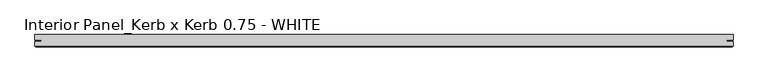
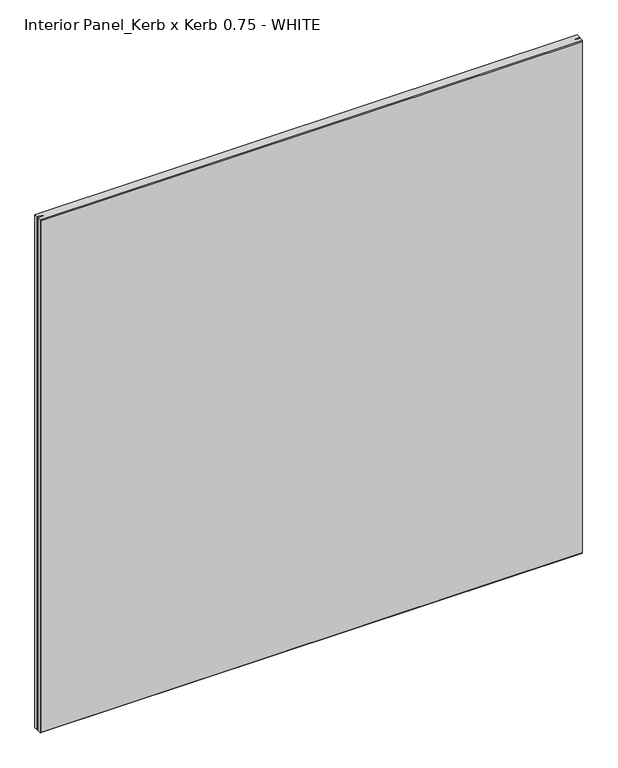
"""IFC4 building model written with IfcOpenShell, lengths in millimetres: proxy geometry, Interior Panel_Kerb x Kerb 0.75 - WHITE."""

from ifc_helpers import new_model, si_unit, origin, place, context, project, spatial, faceted_brep, source, transform, mapped, element, save


def interior_panel_kerb_x_kerb_0_75_white_bbfd6bcd(model_context):
    return source(origin(), model_context, "Body", "Brep", [
        faceted_brep([(990.6, 3.175, 1063.625), (-73.025, 3.175, 1063.625), (-73.025, -5.2832, 1063.625), (-63.2023437, -5.2832, 1063.625), (-63.2023437, -7.4168, 1063.625), (-73.025, -7.4168, 1063.625), (-73.025, -14.2875, 1063.625), (990.6, -14.2875, 1063.625), (990.6, -7.4168, 1063.625), (980.7773437, -7.4168, 1063.625), (980.7773437, -5.2832, 1063.625), (990.6, -5.2832, 1063.625), (990.6, 3.175, 0.0), (990.6, -5.2832, 0.0), (980.7773437, -5.2832, 0.0), (980.7773437, -7.4168, 0.0), (990.6, -7.4168, 0.0), (990.6, -14.2875, 0.0), (-73.025, -14.2875, 0.0), (-73.025, -7.4168, 0.0), (-63.2023437, -7.4168, 0.0), (-63.2023437, -5.2832, 0.0), (-73.025, -5.2832, 0.0), (-73.025, 3.175, 0.0), (-71.4375, -15.875, 1062.0375), (-71.4375, -15.875, 1.5875), (989.0125, -15.875, 1.5875), (989.0125, -15.875, 1062.0375)], [[[0, 1, 2, 3, 4, 5, 6, 7, 8, 9, 10, 11]], [[12, 13, 14, 15, 16, 17, 18, 19, 20, 21, 22, 23]], [[1, 0, 12, 23]], [[24, 25, 26, 27]], [[8, 7, 17, 16]], [[6, 18, 25, 24]], [[17, 7, 27, 26]], [[7, 6, 24, 27]], [[18, 17, 26, 25]], [[9, 8, 16, 15]], [[4, 3, 21, 20]], [[11, 10, 14, 13]], [[0, 11, 13, 12]], [[2, 1, 23, 22]], [[3, 2, 22, 21]], [[5, 4, 20, 19]], [[6, 5, 19, 18]], [[10, 9, 15, 14]]]),
    ])


if __name__ == "__main__":
    model = new_model("IFC4")
    model_context = context("Model", 3, world=origin())
    ifc_project = project(units=[si_unit("LENGTHUNIT", "METRE", prefix="MILLI")], contexts=[model_context])
    site = spatial("IfcSite", under=ifc_project)
    building = spatial("IfcBuilding", under=site)
    placement = place(None, origin())
    interior_panel_kerb_x_kerb_0_75_white_shape = interior_panel_kerb_x_kerb_0_75_white_bbfd6bcd(model_context)
    element("IfcBuildingElementProxy", 1, Name="Interior Panel_Kerb x Kerb 0.75 - WHITE", ObjectType="Interior Panel_Kerb x Kerb 0.75 - WHITE", at=placement, inside=building, context=model_context, shape_type="MappedRepresentation", body=[
        mapped(interior_panel_kerb_x_kerb_0_75_white_shape, transform((0.0, 0.0, 0.0), x_axis=(1.0, 0.0, 0.0), y_axis=(0.0, 1.0, 0.0), z_axis=(0.0, 0.0, 1.0))),
    ])
    save(model, "model.ifc")
